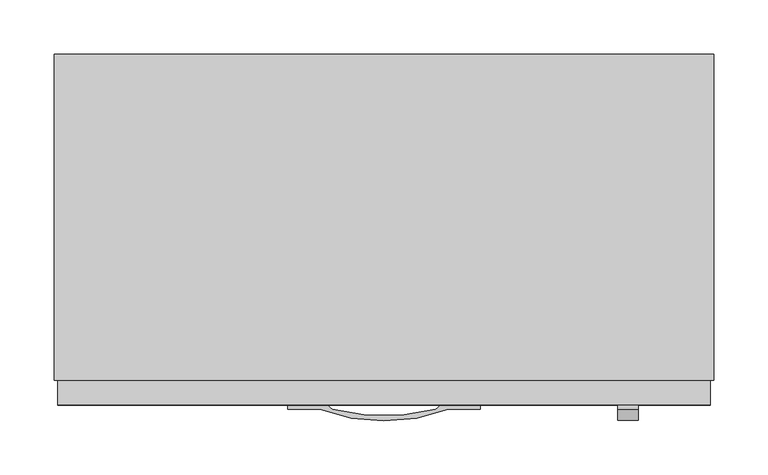
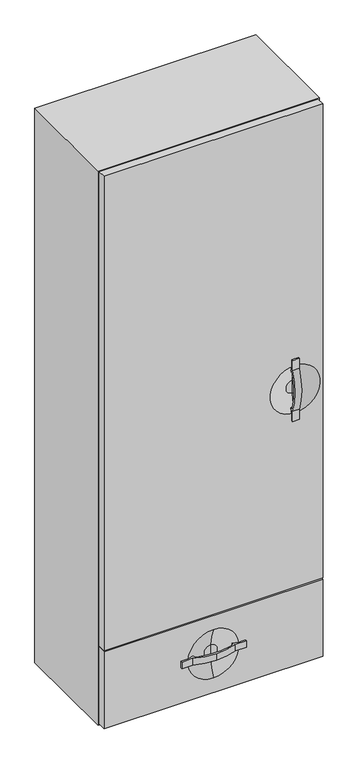
"""IFC4 building model written with IfcOpenShell, lengths in millimetres: furniture geometry."""

from ifc_helpers import new_model, si_unit, point, frame, frame_2d, origin, place, context, project, spatial, polyline, circle_curve, ellipse_curve, trimmed, segment, composite_curve, outline, extrude, source, transform, mapped, element, save
from ifc_brep_helpers import plane_surface, revolved_surface, advanced_brep


def furniture_ab451a1c(model_context):
    return source(origin(), model_context, "Body", "SolidModel", [
        extrude(outline(composite_curve([segment(polyline([(-323.977, 1401.4861315), (-323.977, 1382.8262773)]), True, "CONTINUOUS"), segment(trimmed(circle_curve(frame_2d((-258.1858313, 1393.2623627)), 66.6137355), [point((-323.977, 1382.8262773))], [point((-319.3183999, 1366.8010926))], True, "CARTESIAN"), True, "CONTINUOUS"), segment(trimmed(circle_curve(frame_2d((-316.8323942, 1354.6682172)), 12.3849462), [point((-319.3183999, 1366.8010926))], [point((-327.8256045, 1360.3722699))], True, "CARTESIAN"), True, "CONTINUOUS"), segment(trimmed(circle_curve(frame_2d((-142.8520897, 1312.5877327)), 191.0459714), [point((-327.8256045, 1360.3722699))], [point((-327.8256045, 1264.8031954))], True, "CARTESIAN"), True, "CONTINUOUS"), segment(trimmed(circle_curve(frame_2d((-313.8821081, 1274.4113358)), 16.9333238), [point((-327.8256045, 1264.8031954))], [point((-319.3183999, 1258.3743727))], True, "CARTESIAN"), True, "CONTINUOUS"), segment(trimmed(circle_curve(frame_2d((-224.6580703, 1222.1664174)), 101.3488728), [point((-319.3183999, 1258.3743727))], [point((-323.977, 1242.349188))], True, "CARTESIAN"), True, "CONTINUOUS"), segment(polyline([(-323.977, 1242.349188), (-323.977, 1223.6861315), (-327.8256045, 1223.6861315), (-327.8256045, 1253.4445399)]), True, "CONTINUOUS"), segment(trimmed(circle_curve(frame_2d((-167.205646, 1312.5877327)), 171.1627539), [point((-327.8256045, 1253.4445399))], [point((-327.8256045, 1371.7309254))], False, "CARTESIAN"), True, "CONTINUOUS"), segment(polyline([(-327.8256045, 1371.7309254), (-327.8256045, 1401.4861315), (-323.977, 1401.4861315)]), True, "CONTINUOUS")], self_intersect=False)), frame((234.6377049, 0.0, 0.0), z_axis=(1.0, 0.0, 0.0), x_axis=(0.0, 1.0, 0.0)), (0.0, 0.0, 1.0), 19.05),
        extrude(outline(composite_curve([segment(trimmed(circle_curve(frame_2d((-20.8885086, -314.9765123)), 15.2211546), [point((-35.4772563, -319.3183999))], [point((-29.0484336, -327.8256045))], True, "CARTESIAN"), True, "CONTINUOUS"), segment(trimmed(circle_curve(frame_2d((18.7361037, -142.846726)), 191.0511646), [point((-29.0484336, -327.8256045))], [point((66.520641, -327.8256045))], True, "CARTESIAN"), True, "CONTINUOUS"), segment(trimmed(circle_curve(frame_2d((58.360716, -314.9765123)), 15.2211546), [point((66.520641, -327.8256045))], [point((72.9494637, -319.3183999))], True, "CARTESIAN"), True, "CONTINUOUS"), segment(trimmed(circle_curve(frame_2d((107.0377478, -231.9495576)), 93.7833979), [point((72.9494637, -319.3183999))], [point((88.9746484, -323.977))], True, "CARTESIAN"), True, "CONTINUOUS"), segment(polyline([(88.9746484, -323.977), (107.6377049, -323.977), (107.6377049, -327.8256045), (77.8824989, -327.8256045)]), True, "CONTINUOUS"), segment(trimmed(circle_curve(frame_2d((21.8177605, -184.4756908)), 153.9235286), [point((77.8824989, -327.8256045))], [point((18.7377049, -338.3683999))], False, "CARTESIAN"), True, "CONTINUOUS"), segment(trimmed(circle_curve(frame_2d((15.6576494, -184.4756908)), 153.9235286), [point((18.7377049, -338.3683999))], [point((-40.4070891, -327.8256045))], False, "CARTESIAN"), True, "CONTINUOUS"), segment(polyline([(-40.4070891, -327.8256045), (-70.1622951, -327.8256045), (-70.1622951, -323.977), (-51.5024409, -323.977)]), True, "CONTINUOUS"), segment(trimmed(circle_curve(frame_2d((-69.5655403, -231.9495576)), 93.7833979), [point((-51.5024409, -323.977))], [point((-35.4772563, -319.3183999))], True, "CARTESIAN"), True, "CONTINUOUS")], self_intersect=False)), frame((0.0, 0.0, 611.9008928), z_axis=(0.0, 0.0, 1.0), x_axis=(1.0, 0.0, 0.0)), (0.0, 0.0, 1.0), 19.05),
        advanced_brep(
        [(-282.8872951, -301.2559062, 733.2676788), (-282.8872951, -323.977, 733.2676788), (320.3627049, -323.977, 733.2676788), (320.3627049, -301.2559062, 733.2676788), (-282.8872951, -301.2559062, 509.3768387), (320.3627049, -301.2559062, 509.3768387), (320.3627049, -323.977, 509.3768387), (-282.8872951, -323.977, 509.3768387), (18.7377049, -323.977, 551.3191882), (18.7377049, -323.977, 691.5325974), (18.7377049, -311.3273482, 602.3781092), (18.7377049, -311.3273482, 640.4736764), (18.7377049, -311.3273482, 621.4258928)],
        [
            (0, 1),
            (1, 2),
            (2, 3),
            (3, 0),
            (4, 5),
            (5, 6),
            (6, 7),
            (7, 4),
            (0, 4),
            (7, 1),
            (6, 2),
            (8, 9, circle_curve(frame((18.7377049, -323.977, 621.4258928), z_axis=(0.0, 1.0, 0.0), x_axis=(0.0, 0.0, 1.0)), 70.1067046)),
            (9, 8, circle_curve(frame((18.7377049, -323.977, 621.4258928), z_axis=(0.0, 1.0, 0.0), x_axis=(0.0, 0.0, 1.0)), 70.1067046)),
            (5, 3),
            (8, 10, circle_curve(frame((18.7377049, -446.5701093, 608.7875726), z_axis=(1.0, 0.0, 0.0), x_axis=(0.0, 1.0, 0.0)), 135.3945555)),
            (10, 11, circle_curve(frame((18.7377049, -311.3273482, 621.4258928), z_axis=(0.0, 1.0, 0.0), x_axis=(0.0, 0.0, 1.0)), 19.0477836)),
            (11, 9, circle_curve(frame((18.7377049, -446.5701093, 634.064213), z_axis=(1.0, 0.0, 0.0), x_axis=(0.0, 1.0, 0.0)), 135.3945555)),
            (11, 10, circle_curve(frame((18.7377049, -311.3273482, 621.4258928), z_axis=(0.0, 1.0, 0.0), x_axis=(0.0, 0.0, 1.0)), 19.0477836)),
            (10, 12),
            (12, 11),
        ],
        [
            plane_surface(frame((-282.8872951, -323.977, 733.2676788), z_axis=(0.0, 0.0, 1.0), x_axis=(0.0, -1.0, 0.0))),
            plane_surface(frame((-282.8872951, -323.977, 509.3768387), z_axis=(0.0, 0.0, -1.0), x_axis=(0.0, 1.0, 0.0))),
            plane_surface(frame((-282.8872951, -301.2559062, 733.2676788), z_axis=(-1.0, 0.0, 0.0), x_axis=(0.0, 0.0, -1.0))),
            plane_surface(frame((-282.8872951, -323.977, 733.2676788), z_axis=(0.0, -1.0, 0.0), x_axis=(0.0, 0.0, -1.0))),
            plane_surface(frame((320.3627049, -323.977, 733.2676788), z_axis=(1.0, 0.0, 0.0), x_axis=(0.0, 0.0, -1.0))),
            plane_surface(frame((320.3627049, -301.2559062, 733.2676788), z_axis=(0.0, 1.0, 0.0), x_axis=(0.0, 0.0, -1.0))),
            revolved_surface(trimmed(ellipse_curve(frame((18.7377049, -446.5701093, 634.064213), z_axis=(-1.0, 0.0, 0.0), x_axis=(0.0, 1.0, 0.0)), 135.3945555, 135.3945555), [point((18.7377049, -323.977, 691.5325974))], [point((18.7377049, -311.3273482, 640.4736764))], True, "CARTESIAN"), (18.7377049, -311.3273482, 621.4258928), (0.0, -1.0, 0.0)),
            plane_surface(frame((18.7377049, -311.3273482, 621.4258928), z_axis=(0.0, -1.0, 0.0), x_axis=(0.0, 0.0, 1.0))),
        ],
        [
            (0, [[1, 2, 3, 4]]),
            (1, [[5, 6, 7, 8]]),
            (2, [[-1, 9, -8, 10]]),
            (3, [[-2, -10, -7, 11], [12, 13]]),
            (4, [[-3, -11, -6, 14]]),
            (5, [[-4, -14, -5, -9]]),
            (6, [[15, 16, 17, -12]]),
            (6, [[-15, -13, -17, 18]]),
            (7, [[-16, 19, 20]]),
            (7, [[-18, -20, -19]]),
        ],
    ),
        advanced_brep(
        [(-282.8872951, -301.2559062, 2115.82762), (-282.8872951, -323.977, 2115.82762), (320.3627049, -323.977, 2115.82762), (320.3627049, -301.2559062, 2115.82762), (-282.8872951, -301.2559062, 736.4885575), (320.3627049, -301.2559062, 736.4885575), (320.3627049, -323.977, 736.4885575), (-282.8872951, -323.977, 736.4885575), (244.1627049, -323.977, 1381.1633046), (244.1627049, -323.977, 1244.0089583), (244.1627049, -311.3273482, 1293.5383479), (244.1627049, -311.3273482, 1331.633915), (244.1627049, -311.3273482, 1312.5861315)],
        [
            (0, 1),
            (1, 2),
            (2, 3),
            (3, 0),
            (4, 5),
            (5, 6),
            (6, 7),
            (7, 4),
            (0, 4),
            (7, 1),
            (6, 2),
            (8, 9, circle_curve(frame((244.1627049, -323.977, 1312.5861315), z_axis=(0.0, 1.0, 0.0), x_axis=(0.0, 0.0, 1.0)), 68.5771731)),
            (9, 8, circle_curve(frame((244.1627049, -323.977, 1312.5861315), z_axis=(0.0, 1.0, 0.0), x_axis=(0.0, 0.0, 1.0)), 68.5771731)),
            (5, 3),
            (10, 9, circle_curve(frame((244.1627049, -432.1044866, 1298.0044172), z_axis=(-1.0, 0.0, 0.0), x_axis=(0.0, -1.0, 0.0)), 120.8596829)),
            (8, 11, circle_curve(frame((244.1627049, -432.1044866, 1327.1678457), z_axis=(-1.0, 0.0, 0.0), x_axis=(0.0, -1.0, 0.0)), 120.8596829)),
            (11, 10, circle_curve(frame((244.1627049, -311.3273482, 1312.5861315), z_axis=(0.0, 1.0, 0.0), x_axis=(0.0, 0.0, 1.0)), 19.0477836)),
            (10, 11, circle_curve(frame((244.1627049, -311.3273482, 1312.5861315), z_axis=(0.0, 1.0, 0.0), x_axis=(0.0, 0.0, 1.0)), 19.0477836)),
            (11, 12),
            (12, 10),
        ],
        [
            plane_surface(frame((-282.8872951, -323.977, 2115.82762), z_axis=(0.0, 0.0, 1.0), x_axis=(0.0, -1.0, 0.0))),
            plane_surface(frame((-282.8872951, -323.977, 736.4885575), z_axis=(0.0, 0.0, -1.0), x_axis=(0.0, 1.0, 0.0))),
            plane_surface(frame((-282.8872951, -301.2559062, 2115.82762), z_axis=(-1.0, 0.0, 0.0), x_axis=(0.0, 0.0, -1.0))),
            plane_surface(frame((-282.8872951, -323.977, 2115.82762), z_axis=(0.0, -1.0, 0.0), x_axis=(0.0, 0.0, -1.0))),
            plane_surface(frame((320.3627049, -323.977, 2115.82762), z_axis=(1.0, 0.0, 0.0), x_axis=(0.0, 0.0, -1.0))),
            plane_surface(frame((320.3627049, -301.2559062, 2115.82762), z_axis=(0.0, 1.0, 0.0), x_axis=(0.0, 0.0, -1.0))),
            revolved_surface(trimmed(ellipse_curve(frame((244.1627049, -432.1044866, 1327.1678457), z_axis=(1.0, 0.0, 0.0), x_axis=(0.0, -1.0, 0.0)), 120.8596829, 120.8596829), [point((244.1627049, -311.3273482, 1331.633915))], [point((244.1627049, -323.977, 1381.1633046))], True, "CARTESIAN"), (244.1627049, -311.3273482, 1312.5861315), (0.0, 1.0, 0.0)),
            plane_surface(frame((244.1627049, -311.3273482, 1312.5861315), z_axis=(0.0, -1.0, 0.0), x_axis=(0.0, 0.0, 1.0))),
        ],
        [
            (0, [[1, 2, 3, 4]]),
            (1, [[5, 6, 7, 8]]),
            (2, [[-1, 9, -8, 10]]),
            (3, [[-2, -10, -7, 11], [12, 13]]),
            (4, [[-3, -11, -6, 14]]),
            (5, [[-4, -14, -5, -9]]),
            (6, [[15, -12, 16, 17]]),
            (6, [[-15, 18, -16, -13]]),
            (7, [[-17, 19, 20]]),
            (7, [[-18, -20, -19]]),
        ],
    ),
        extrude(outline(polyline([(-286.0622951, 0.0), (323.5377049, 0.0), (323.5377049, -301.2559062), (-286.0622951, -301.2559062), (-286.0622951, 0.0)])), frame((0.0, 0.0, 506.2018387), z_axis=(0.0, 0.0, 1.0), x_axis=(1.0, 0.0, 0.0)), (0.0, 0.0, 1.0), 1612.8007813),
    ])


if __name__ == "__main__":
    model = new_model("IFC4")
    model_context = context("Model", 3, world=origin())
    ifc_project = project(units=[si_unit("LENGTHUNIT", "METRE", prefix="MILLI")], contexts=[model_context])
    site = spatial("IfcSite", under=ifc_project)
    building = spatial("IfcBuilding", under=site)
    placement = place(None, origin())
    furniture_shape = furniture_ab451a1c(model_context)
    element("IfcFurniture", 1, at=placement, inside=building, context=model_context, shape_type="MappedRepresentation", body=[
        mapped(furniture_shape, transform((0.0, 0.0, 0.0), x_axis=(1.0, 0.0, 0.0), y_axis=(0.0, 1.0, 0.0), z_axis=(0.0, 0.0, 1.0))),
    ])
    save(model, "model.ifc")
